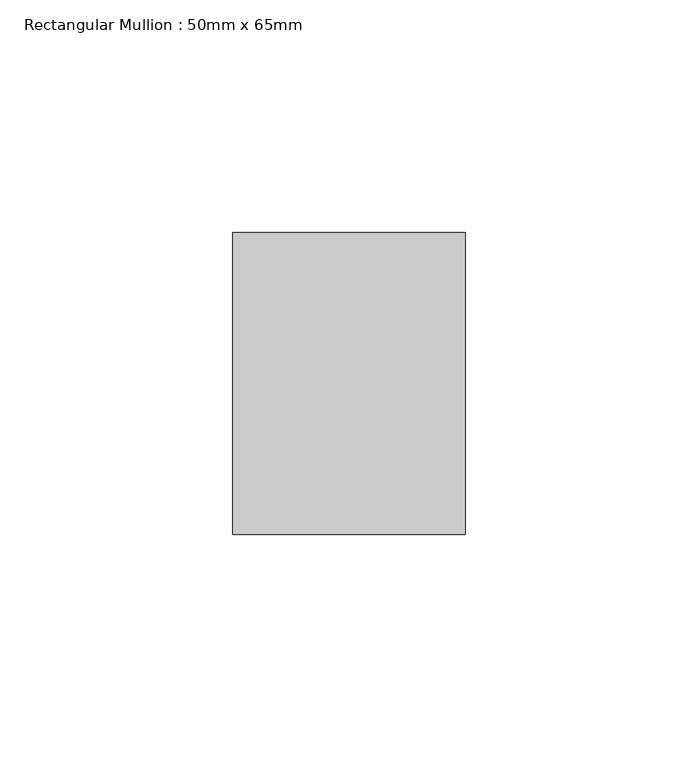
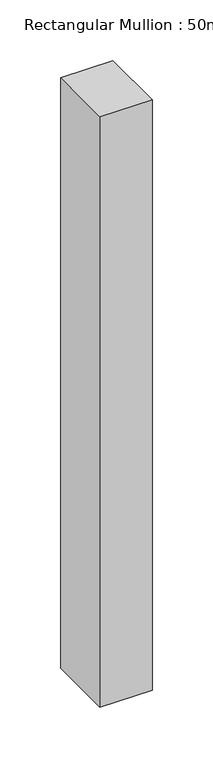
"""IFC4 building model written with IfcOpenShell, lengths in millimetres: member geometry, Rectangular Mullion : 50mm x 65mm."""

import ifcopenshell
import ifcopenshell.guid

model = None  # the IFC model being written
_history = None  # IfcOwnerHistory: only IFC2X3 demands one
_inside = {}  # id of a spatial element -> (the spatial element, [elements in it])
_under = {}  # id of a project, library or spatial element -> (it, [spatial elements below it])
_declared = {}  # id of a project -> (the project, [libraries it declares])
_typed = {}  # id of a type object -> (the type object, [elements of that type])
_made_of = {}  # id of a material, layer set ... -> (it, [elements and type objects made of it])


def new_model(schema):
    """Start an empty IFC model of exactly this schema.

    Asked for "IFC4X3", IfcOpenShell would pick the latest addendum, in which some entities
    have other attributes; the version numbers below select the first issue.
    IFC2X3 requires an IfcOwnerHistory on every rooted entity: one is made here for all.
    """
    global model, _history
    if schema == "IFC4X3":
        model = ifcopenshell.file(schema_version=(4, 3, 0, 0))
    else:
        model = ifcopenshell.file(schema=schema)
    _inside.clear()
    _under.clear()
    _declared.clear()
    _typed.clear()
    _made_of.clear()
    _history = None
    if model.schema == "IFC2X3":
        org = make("IfcOrganization", Name="unknown")
        user = make(
            "IfcPersonAndOrganization",
            ThePerson=make("IfcPerson", FamilyName="unknown"),
            TheOrganization=org,
        )
        app = make(
            "IfcApplication",
            ApplicationDeveloper=org,
            Version="unknown",
            ApplicationFullName="unknown",
            ApplicationIdentifier="unknown",
        )
        _history = make(
            "IfcOwnerHistory",
            OwningUser=user,
            OwningApplication=app,
            ChangeAction="ADDED",
            CreationDate=0,
        )
    return model


def make(cls, **values):
    """One entity of the class cls with the attributes given. An attribute that is None is left unset."""
    return model.create_entity(
        cls, **{name: value for name, value in values.items() if value is not None}
    )


def rooted(cls, **values):
    """An entity with a GlobalId (a new one), such as an element, a storey or a relation."""
    return make(cls, GlobalId=ifcopenshell.guid.new(), OwnerHistory=_history, **values)


def si_unit(unit_type, name, prefix=None):
    """IfcSIUnit, for example si_unit("LENGTHUNIT", "METRE", prefix="MILLI")."""
    return make("IfcSIUnit", UnitType=unit_type, Prefix=prefix, Name=name)


def assignment(units):
    """IfcUnitAssignment: the units of a project."""
    return None if units is None else make("IfcUnitAssignment", Units=units)


def point(xyz):
    """IfcCartesianPoint."""
    return None if xyz is None else make("IfcCartesianPoint", Coordinates=xyz)


def direction(xyz):
    """IfcDirection."""
    return None if xyz is None else make("IfcDirection", DirectionRatios=xyz)


def frame(location, z_axis=None, x_axis=None):
    """IfcAxis2Placement3D, a coordinate frame: its origin and axes. An axis left out is left unset."""
    return make(
        "IfcAxis2Placement3D",
        Location=point(location),
        Axis=direction(z_axis),
        RefDirection=direction(x_axis),
    )


def origin():
    """The frame at (0, 0, 0) with its axes left unset."""
    return frame((0.0, 0.0, 0.0))


def place(relative_to, where):
    """IfcLocalPlacement: puts the frame where relative to a parent placement (None: the world)."""
    return make(
        "IfcLocalPlacement", PlacementRelTo=relative_to, RelativePlacement=where
    )


def context(
    kind, dimensions, precision=None, world=None, true_north=None, identifier=None
):
    """IfcGeometricRepresentationContext, for example the 3D "Model" context."""
    return make(
        "IfcGeometricRepresentationContext",
        ContextIdentifier=identifier,
        ContextType=kind,
        CoordinateSpaceDimension=dimensions,
        Precision=precision,
        WorldCoordinateSystem=world,
        TrueNorth=true_north,
    )


def project(units=None, contexts=None):
    """IfcProject with its units and contexts."""
    return rooted(
        "IfcProject",
        Name="project",
        RepresentationContexts=contexts,
        UnitsInContext=assignment(units),
    )


def spatial(cls, under=None, at=None, **own):
    """A site, building, storey or space (cls), placed at a placement, below another one or the project."""
    s = rooted(cls, ObjectPlacement=at, **own)
    if under is not None:
        _under.setdefault(under.id(), (under, []))[1].append(s)
    return s


def polyline(points):
    """IfcPolyline through the points."""
    return make("IfcPolyline", Points=[point(p) for p in points])


def outline(outer, holes=None, kind="AREA"):
    """IfcArbitraryClosedProfileDef: a profile drawn as a closed curve; with holes, ...WithVoids."""
    if holes is None:
        return make("IfcArbitraryClosedProfileDef", ProfileType=kind, OuterCurve=outer)
    return make(
        "IfcArbitraryProfileDefWithVoids",
        ProfileType=kind,
        OuterCurve=outer,
        InnerCurves=holes,
    )


def extrude(swept, where, along, depth):
    """IfcExtrudedAreaSolid: the profile swept, set in the frame where, extruded along a direction by depth."""
    return make(
        "IfcExtrudedAreaSolid",
        SweptArea=swept,
        Position=where,
        ExtrudedDirection=direction(along),
        Depth=depth,
    )


def shape(context_of_items, identifier, shape_type, items):
    """IfcShapeRepresentation: the items that make up one representation, for example the "Body"."""
    return make(
        "IfcShapeRepresentation",
        ContextOfItems=context_of_items,
        RepresentationIdentifier=identifier,
        RepresentationType=shape_type,
        Items=items,
    )


def source(mapping_origin, context_of_items, identifier, shape_type, items):
    """IfcRepresentationMap: a shape defined once, which mapped items show again and again."""
    return make(
        "IfcRepresentationMap",
        MappingOrigin=mapping_origin,
        MappedRepresentation=shape(context_of_items, identifier, shape_type, items),
    )


def transform(
    local_origin,
    x_axis=None,
    y_axis=None,
    z_axis=None,
    scale=None,
    scale2=None,
    scale3=None,
    uniform=True,
):
    """IfcCartesianTransformationOperator3D, or its non-uniform kind. x_axis, y_axis, z_axis: its Axis1, 2, 3."""
    if uniform:
        return make(
            "IfcCartesianTransformationOperator3D",
            Axis1=direction(x_axis),
            Axis2=direction(y_axis),
            LocalOrigin=point(local_origin),
            Scale=scale,
            Axis3=direction(z_axis),
        )
    return make(
        "IfcCartesianTransformationOperator3DnonUniform",
        Axis1=direction(x_axis),
        Axis2=direction(y_axis),
        LocalOrigin=point(local_origin),
        Scale=scale,
        Axis3=direction(z_axis),
        Scale2=scale2,
        Scale3=scale3,
    )


def mapped(mapping_source, mapping_target):
    """IfcMappedItem: shows the shape of a source again, moved by a transform."""
    return make(
        "IfcMappedItem", MappingSource=mapping_source, MappingTarget=mapping_target
    )


def made_of(thing, what):
    """Note that an element or type object is made of a material, layer set ...; save() writes the relation."""
    if what is not None:
        _made_of.setdefault(what.id(), (what, []))[1].append(thing)
    return thing


def element(
    cls,
    number,
    at=None,
    inside=None,
    cuts=None,
    type_object=None,
    material=None,
    context=None,
    identifier="Body",
    shape_type=None,
    held_by="IfcProductDefinitionShape",
    body=None,
    shapes=None,
    **own,
):
    """One element of the class cls, such as IfcWall. Its Tag is "e" and its number.

    at: its placement. inside: the storey or other place that contains it. cuts: it is an
    opening in that element (IfcRelVoidsElement). A single representation is given by context,
    identifier, shape_type and body (its items); several are given by shapes. held_by: the class
    of the entity that holds the representations. save() writes the other relations.
    """
    e = rooted(cls, Tag="e%d" % number, ObjectPlacement=at, **own)
    if body is not None:
        shapes = [shape(context, identifier, shape_type, body)]
    if shapes is not None:
        e.Representation = make(held_by, Representations=shapes)
    if inside is not None:
        _inside.setdefault(inside.id(), (inside, []))[1].append(e)
    if cuts is not None:
        rooted(
            "IfcRelVoidsElement", RelatingBuildingElement=cuts, RelatedOpeningElement=e
        )
    if type_object is not None:
        _typed.setdefault(type_object.id(), (type_object, []))[1].append(e)
    return made_of(e, material)


def aggregate(whole, parts):
    """IfcRelAggregates: a whole, such as a stair, and the parts it consists of."""
    return rooted("IfcRelAggregates", RelatingObject=whole, RelatedObjects=parts)


def save(model, path):
    """Write the relations noted so far, then the file.

    IfcRelAggregates (storeys below a building ...), IfcRelContainedInSpatialStructure (elements
    in a storey), IfcRelDefinesByType, IfcRelAssociatesMaterial and IfcRelDeclares: one each for
    every whole, place, type object, material and project.
    """
    for whole, parts in _under.values():
        aggregate(whole, parts)
    for where, things in _inside.values():
        rooted(
            "IfcRelContainedInSpatialStructure",
            RelatedElements=things,
            RelatingStructure=where,
        )
    for kind, things in _typed.values():
        rooted("IfcRelDefinesByType", RelatedObjects=things, RelatingType=kind)
    for what, things in _made_of.values():
        rooted("IfcRelAssociatesMaterial", RelatedObjects=things, RelatingMaterial=what)
    for by, libraries in _declared.values():
        rooted("IfcRelDeclares", RelatingContext=by, RelatedDefinitions=libraries)
    model.write(path)


def rectangular_mullion_50mm_x_65mm_14cf958d(model_context):
    return source(origin(), model_context, "Body", "SweptSolid", [
        extrude(outline(polyline([(25.0, 32.5), (25.0, -32.5), (-25.0, -32.5), (-25.0, 32.5), (25.0, 32.5)])), frame((0.0, 0.0, -595.7758727), z_axis=(0.0, 0.0, 1.0), x_axis=(1.0, 0.0, 0.0)), (0.0, 0.0, 1.0), 595.7758727),
    ])


if __name__ == "__main__":
    model = new_model("IFC4")
    model_context = context("Model", 3, world=origin())
    ifc_project = project(units=[si_unit("LENGTHUNIT", "METRE", prefix="MILLI")], contexts=[model_context])
    site = spatial("IfcSite", under=ifc_project)
    building = spatial("IfcBuilding", under=site)
    placement = place(None, origin())
    rectangular_mullion_50mm_x_65mm_shape = rectangular_mullion_50mm_x_65mm_14cf958d(model_context)
    element("IfcMember", 1, ObjectType="Rectangular Mullion : 50mm x 65mm", at=placement, inside=building, context=model_context, shape_type="MappedRepresentation", body=[
        mapped(rectangular_mullion_50mm_x_65mm_shape, transform((0.0, 0.0, 0.0), x_axis=(1.0, 0.0, 0.0), y_axis=(0.0, 1.0, 0.0), z_axis=(0.0, 0.0, 1.0))),
    ])
    save(model, "model.ifc")
